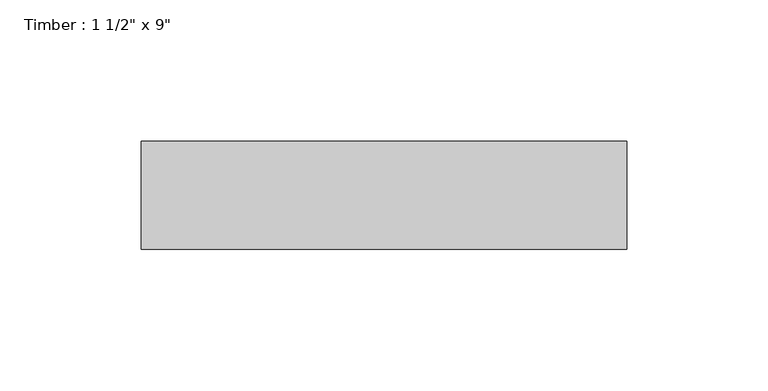
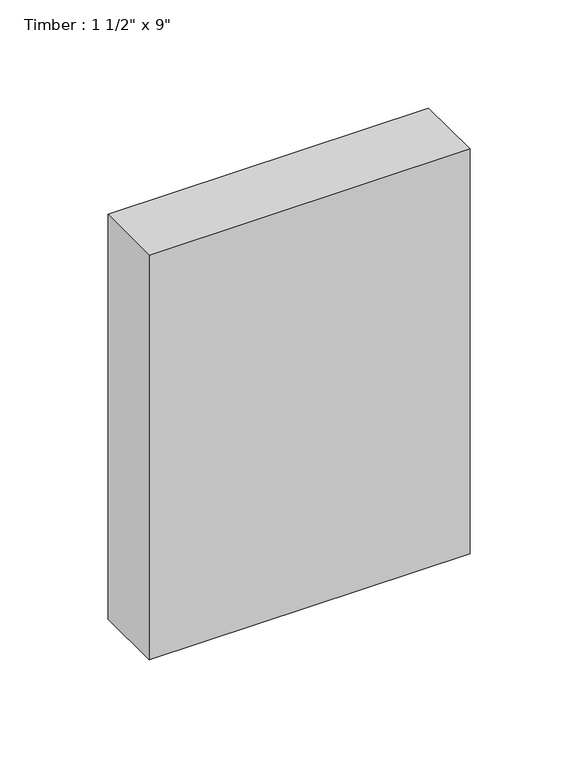
"""IFC4 building model written with IfcOpenShell, lengths in millimetres: beam geometry."""

from ifc_helpers import new_model, si_unit, frame, origin, place, context, project, spatial, polyline, outline, extrude, source, transform, mapped, element, save


def beam_12e7660c(model_context):
    return source(origin(), model_context, "Body", "SweptSolid", [
        extrude(outline(polyline([(85.725, 19.05), (85.725, -19.05), (-85.725, -19.05), (-85.725, 19.05), (85.725, 19.05)])), frame((0.0, 0.0, -114.3), z_axis=(0.0, 0.0, 1.0), x_axis=(1.0, 0.0, 0.0)), (0.0, 0.0, 1.0), 228.6),
    ])


if __name__ == "__main__":
    model = new_model("IFC4")
    model_context = context("Model", 3, world=origin())
    ifc_project = project(units=[si_unit("LENGTHUNIT", "METRE", prefix="MILLI")], contexts=[model_context])
    site = spatial("IfcSite", under=ifc_project)
    building = spatial("IfcBuilding", under=site)
    placement = place(None, origin())
    beam_shape = beam_12e7660c(model_context)
    element("IfcBeam", 1, ObjectType="Timber : 1 1/2\" x 9\"", at=placement, inside=building, context=model_context, shape_type="MappedRepresentation", body=[
        mapped(beam_shape, transform((0.0, 0.0, 0.0), x_axis=(1.0, 0.0, 0.0), y_axis=(0.0, 1.0, 0.0), z_axis=(0.0, 0.0, 1.0))),
    ])
    save(model, "model.ifc")
